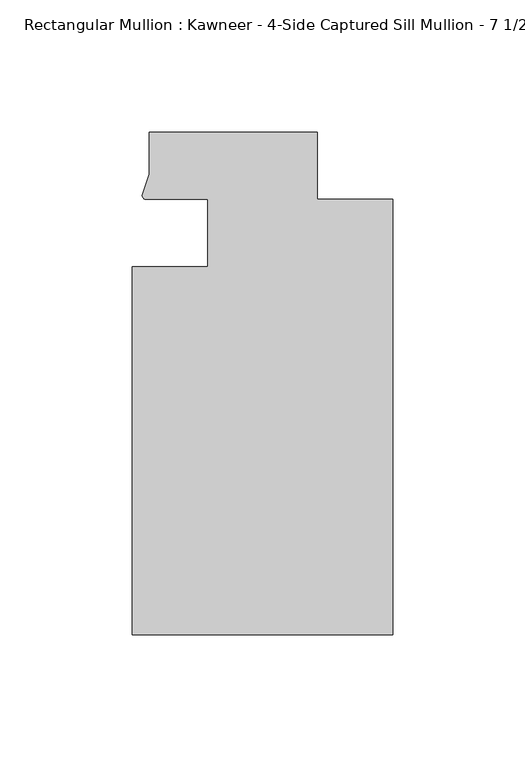
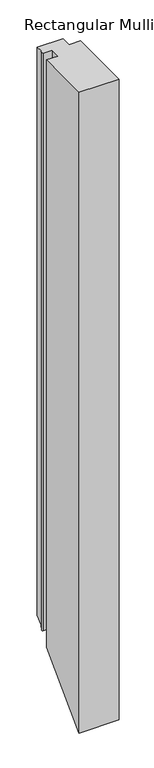
"""IFC4 building model written with IfcOpenShell, lengths in millimetres: member geometry."""

from ifc_helpers import new_model, si_unit, frame, origin, place, context, project, spatial, circle_curve, ellipse_curve, source, transform, mapped, element, save
from ifc_brep_helpers import plane_surface, cylinder_surface, advanced_brep


def member_914691e4(model_context):
    return source(origin(), model_context, "Body", "AdvancedBrep", [
        advanced_brep(
        [(-69.85, -12.7, 0.0), (-98.425, -12.7, 0.0), (-98.425, -151.892, 0.0), (0.0, -151.892, 0.0), (0.0, 12.7, 0.0), (-28.575, 12.7, 0.0), (-28.575, 38.1, 0.0), (-92.075, 38.1, 0.0), (-92.075, 22.2250977, 0.0), (-94.7258552, 14.2884292, 0.0), (-93.1091288, 12.700061, 0.0), (-69.85, 12.700061, 0.0), (-69.85, -12.7, -1529.058135), (-98.425, -12.7, -1529.058135), (-98.425, -151.892, -1668.250135), (0.0, -151.892, -1668.250135), (0.0, 12.7, -1503.658135), (-28.575, 12.7, -1503.658135), (-28.575, 38.1, -1478.258135), (-92.075, 38.1, -1478.258135), (-92.075, 22.2250977, -1494.1330373), (-94.7258552, 14.2884292, -1502.0697057), (-93.1091288, 12.700061, -1503.6580739), (-69.85, 12.700061, -1503.6580739)],
        [
            (0, 1),
            (1, 2),
            (2, 3),
            (3, 4),
            (4, 5),
            (5, 6),
            (6, 7),
            (7, 8),
            (8, 9),
            (9, 10, circle_curve(frame((-93.0262373, 14.401412, 0.0), z_axis=(0.0, 0.0, 1.0), x_axis=(-0.04866327869705179, -0.9988152408260765, 0.0)), 1.703369)),
            (10, 11),
            (11, 0),
            (0, 12),
            (12, 13),
            (13, 1),
            (13, 14),
            (14, 2),
            (14, 15),
            (15, 3),
            (15, 16),
            (16, 4),
            (16, 17),
            (17, 5),
            (17, 18),
            (18, 6),
            (18, 19),
            (19, 7),
            (19, 20),
            (20, 8),
            (20, 21),
            (21, 9),
            (21, 22, ellipse_curve(frame((-93.0262373, 14.401412, -1501.956723), z_axis=(0.0, -0.7071067811865481, 0.707106781186547), x_axis=(0.0, 0.7071067811865469, 0.707106781186548)), 2.4089276, 1.703369)),
            (22, 10),
            (22, 23),
            (23, 11),
            (23, 12),
        ],
        [
            plane_surface(frame((0.0, -180.9935366, 0.0), z_axis=(0.0, 0.0, 1.0), x_axis=(-1.0, 0.0, 0.0))),
            plane_surface(frame((-69.85, -12.7, 0.0), z_axis=(0.0, 1.0, 0.0), x_axis=(0.0, 0.0, -1.0))),
            plane_surface(frame((-98.425, -12.7, 0.0), z_axis=(-1.0, 0.0, 0.0), x_axis=(0.0, 0.0, -1.0))),
            plane_surface(frame((-98.425, -151.892, 0.0), z_axis=(0.0, -1.0, 0.0), x_axis=(0.0, 0.0, -1.0))),
            plane_surface(frame((0.0, -151.892, 0.0), z_axis=(1.0, 0.0, 0.0), x_axis=(0.0, 0.0, -1.0))),
            plane_surface(frame((0.0, 12.7, 0.0), z_axis=(0.0, 1.0, 0.0), x_axis=(0.0, 0.0, -1.0))),
            plane_surface(frame((-28.575, 12.7, 0.0), z_axis=(1.0, 0.0, 0.0), x_axis=(0.0, 0.0, -1.0))),
            plane_surface(frame((-28.575, 38.1, 0.0), z_axis=(0.0, 1.0, 0.0), x_axis=(0.0, 0.0, -1.0))),
            plane_surface(frame((-92.075, 38.1, 0.0), z_axis=(-1.0, 0.0, 0.0), x_axis=(0.0, 0.0, -1.0))),
            plane_surface(frame((-92.075, 22.2250977, 0.0), z_axis=(-0.9484931443165878, 0.3167976565324192, 0.0), x_axis=(0.0, 0.0, -1.0))),
            cylinder_surface(frame((-93.0262373, 14.401412, 0.0), z_axis=(0.0, 0.0, 1.0000000000000002), x_axis=(-0.04866327869705179, -0.9988152408260765, 0.0)), 1.703369),
            plane_surface(frame((-93.1091288, 12.700061, 0.0), z_axis=(0.0, -1.0, 0.0), x_axis=(0.0, 0.0, -1.0))),
            plane_surface(frame((-69.85, 12.700061, 0.0), z_axis=(-1.0, 0.0, 0.0), x_axis=(0.0, 0.0, -1.0))),
            plane_surface(frame((-304.8, 0.0, -1516.358135), z_axis=(0.0, 0.7071067811865481, -0.707106781186547), x_axis=(0.0, 0.707106781186547, 0.7071067811865481))),
        ],
        [
            (0, [[1, 2, 3, 4, 5, 6, 7, 8, 9, 10, 11, 12]]),
            (1, [[-1, 13, 14, 15]]),
            (2, [[-2, -15, 16, 17]]),
            (3, [[-3, -17, 18, 19]]),
            (4, [[-4, -19, 20, 21]]),
            (5, [[-5, -21, 22, 23]]),
            (6, [[-6, -23, 24, 25]]),
            (7, [[-7, -25, 26, 27]]),
            (8, [[-8, -27, 28, 29]]),
            (9, [[-9, -29, 30, 31]]),
            (10, [[-10, -31, 32, 33]]),
            (11, [[-11, -33, 34, 35]]),
            (12, [[-12, -35, 36, -13]]),
            (13, [[-36, -34, -32, -30, -28, -26, -24, -22, -20, -18, -16, -14]]),
        ],
    ),
    ])


if __name__ == "__main__":
    model = new_model("IFC4")
    model_context = context("Model", 3, world=origin())
    ifc_project = project(units=[si_unit("LENGTHUNIT", "METRE", prefix="MILLI")], contexts=[model_context])
    site = spatial("IfcSite", under=ifc_project)
    building = spatial("IfcBuilding", under=site)
    placement = place(None, origin())
    member_shape = member_914691e4(model_context)
    element("IfcMember", 1, ObjectType="Rectangular Mullion : Kawneer - 4-Side Captured Sill Mullion - 7 1/2\"", at=placement, inside=building, context=model_context, shape_type="MappedRepresentation", body=[
        mapped(member_shape, transform((0.0, 0.0, 0.0), x_axis=(1.0, 0.0, 0.0), y_axis=(0.0, 1.0, 0.0), z_axis=(0.0, 0.0, 1.0))),
    ])
    save(model, "model.ifc")
